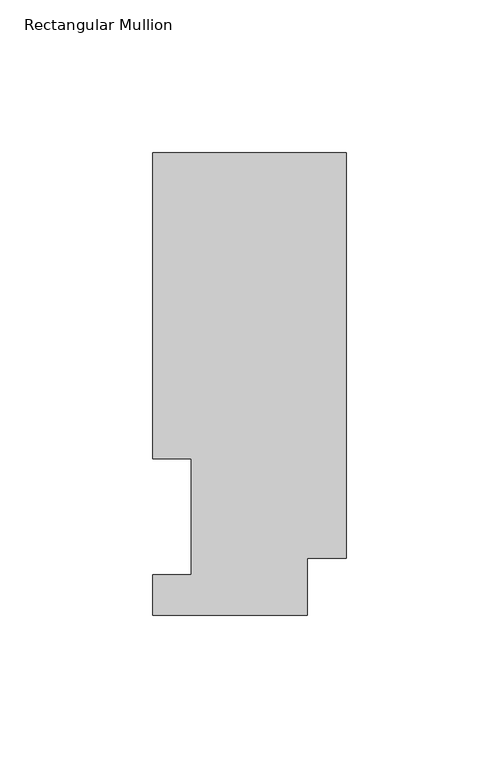
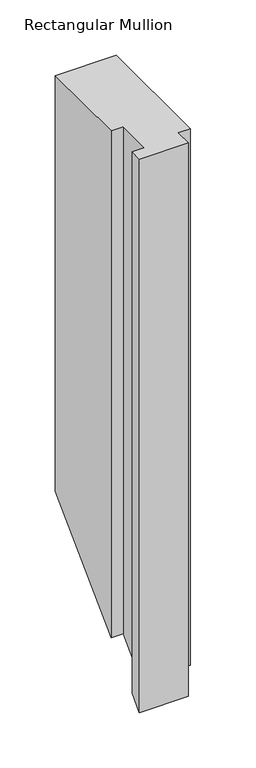
"""IFC4 building model written with IfcOpenShell, lengths in millimetres: member geometry, Rectangular Mullion."""

from ifc_helpers import new_model, si_unit, origin, place, context, project, spatial, faceted_brep, source, transform, mapped, element, save


def rectangular_mullion_0c12b602(model_context):
    return source(origin(), model_context, "Body", "Brep", [
        faceted_brep([(0.0, 151.7022937, 0.0), (-63.5, 151.7022937, 0.0), (-63.5, 51.2960938, 0.0), (-50.8, 51.2960938, 0.0), (-50.8, 13.1960938, 0.0), (-63.5, 13.1960938, 0.0), (-63.5, 0.0134937, 0.0), (-12.7, 0.0134937, 0.0), (-12.7, 18.7332937, 0.0), (0.0, 18.7332937, 0.0), (0.0, 151.7022937, -457.8977063), (-63.5, 151.7022937, -457.8977063), (-63.5, 51.2960938, -558.3039063), (-50.8, 51.2960938, -558.3039063), (-50.8, 13.1960938, -596.4039062), (-63.5, 13.1960938, -596.4039062), (-63.5, 0.0134937, -609.5865063), (-12.7, 0.0134937, -609.5865063), (-12.7, 18.7332937, -590.8667063), (0.0, 18.7332937, -590.8667063)], [[[0, 1, 2, 3, 4, 5, 6, 7, 8, 9]], [[1, 0, 10, 11]], [[2, 1, 11, 12]], [[3, 2, 12, 13]], [[4, 3, 13, 14]], [[5, 4, 14, 15]], [[6, 5, 15, 16]], [[7, 6, 16, 17]], [[8, 7, 17, 18]], [[9, 8, 18, 19]], [[0, 9, 19, 10]], [[10, 19, 18, 17, 16, 15, 14, 13, 12, 11]]]),
    ])


if __name__ == "__main__":
    model = new_model("IFC4")
    model_context = context("Model", 3, world=origin())
    ifc_project = project(units=[si_unit("LENGTHUNIT", "METRE", prefix="MILLI")], contexts=[model_context])
    site = spatial("IfcSite", under=ifc_project)
    building = spatial("IfcBuilding", under=site)
    placement = place(None, origin())
    rectangular_mullion_shape = rectangular_mullion_0c12b602(model_context)
    element("IfcMember", 1, ObjectType="Rectangular Mullion", at=placement, inside=building, context=model_context, shape_type="MappedRepresentation", body=[
        mapped(rectangular_mullion_shape, transform((0.0, 0.0, 0.0), x_axis=(1.0, 0.0, 0.0), y_axis=(0.0, 1.0, 0.0), z_axis=(0.0, 0.0, 1.0))),
    ])
    save(model, "model.ifc")
